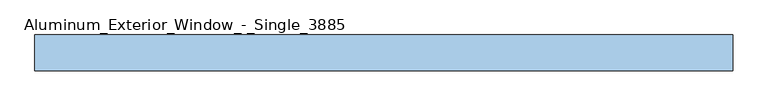
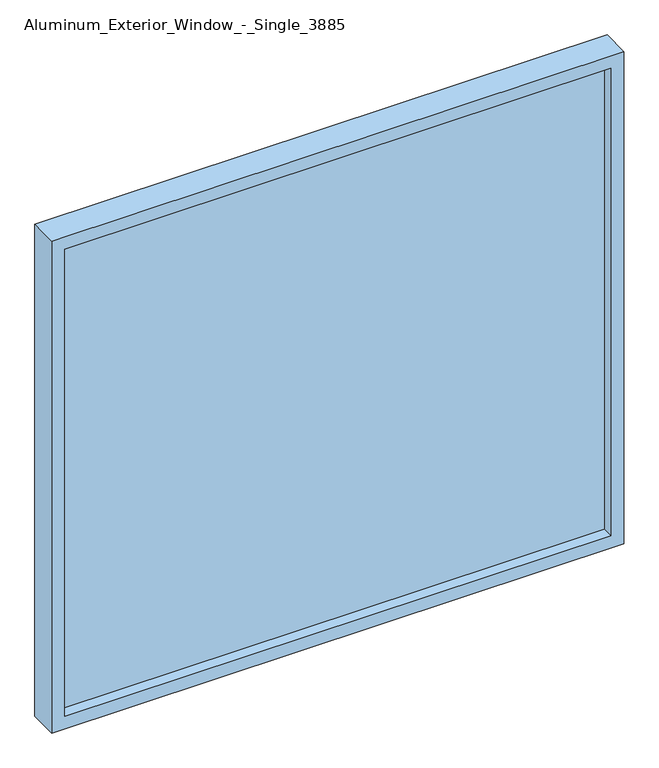
"""IFC4 building model written with IfcOpenShell, lengths in millimetres: window geometry, Aluminum_Exterior_Window_-_Single_3885."""

from ifc_helpers import new_model, si_unit, frame, origin, place, context, project, spatial, polyline, outline, extrude, source, transform, mapped, element, save


def aluminum_exterior_window_single_3885_2f7455c0(model_context):
    return source(origin(), model_context, "Body", "SweptSolid", [
        extrude(outline(polyline([(-1727.2, 56.7075246), (406.4, 56.7075246), (406.4, 31.3075246), (-1727.2, 31.3075246), (-1727.2, 56.7075246)])), frame((0.0, 0.0, 254.0), z_axis=(0.0, 0.0, 1.0), x_axis=(1.0, 0.0, 0.0)), (0.0, 0.0, 1.0), 1930.4),
        extrude(outline(polyline([(2235.2, -1778.0), (203.2, -1778.0), (203.2, 457.2), (2235.2, 457.2), (2235.2, -1778.0)]), holes=[polyline([(2184.4, -1727.2), (2184.4, 406.4), (254.0, 406.4), (254.0, -1727.2), (2184.4, -1727.2)])]), frame((0.0, -13.1424754, 0.0), z_axis=(0.0, 1.0, 0.0), x_axis=(0.0, 0.0, 1.0)), (0.0, 0.0, 1.0), 114.3),
    ])


if __name__ == "__main__":
    model = new_model("IFC4")
    model_context = context("Model", 3, world=origin())
    ifc_project = project(units=[si_unit("LENGTHUNIT", "METRE", prefix="MILLI")], contexts=[model_context])
    site = spatial("IfcSite", under=ifc_project)
    building = spatial("IfcBuilding", under=site)
    placement = place(None, origin())
    aluminum_exterior_window_single_3885_shape = aluminum_exterior_window_single_3885_2f7455c0(model_context)
    element("IfcWindow", 1, ObjectType="Aluminum_Exterior_Window_-_Single_3885", at=placement, inside=building, context=model_context, shape_type="MappedRepresentation", body=[
        mapped(aluminum_exterior_window_single_3885_shape, transform((0.0, 0.0, 0.0), x_axis=(1.0, 0.0, 0.0), y_axis=(0.0, 1.0, 0.0), z_axis=(0.0, 0.0, 1.0))),
    ])
    save(model, "model.ifc")
